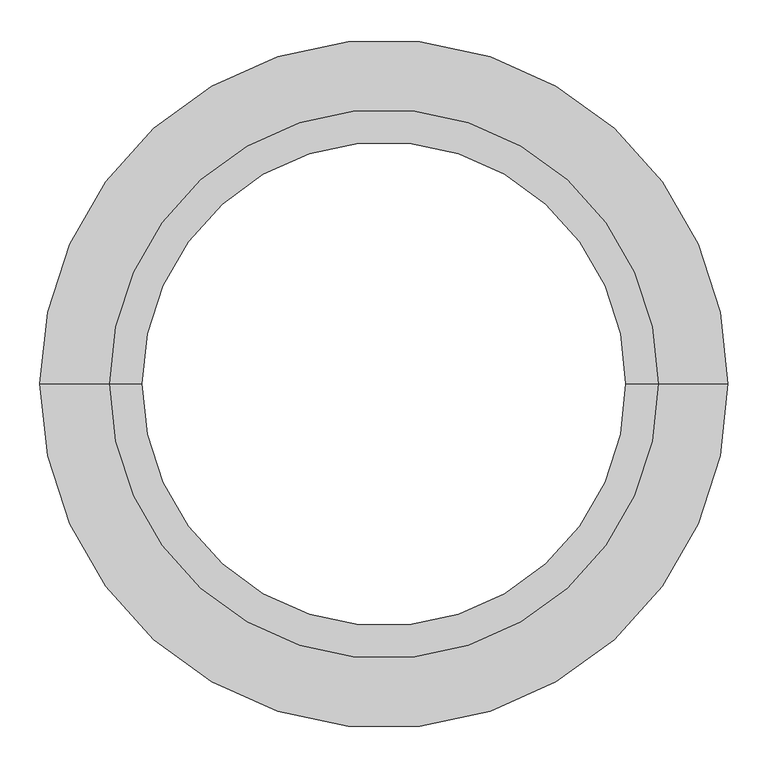
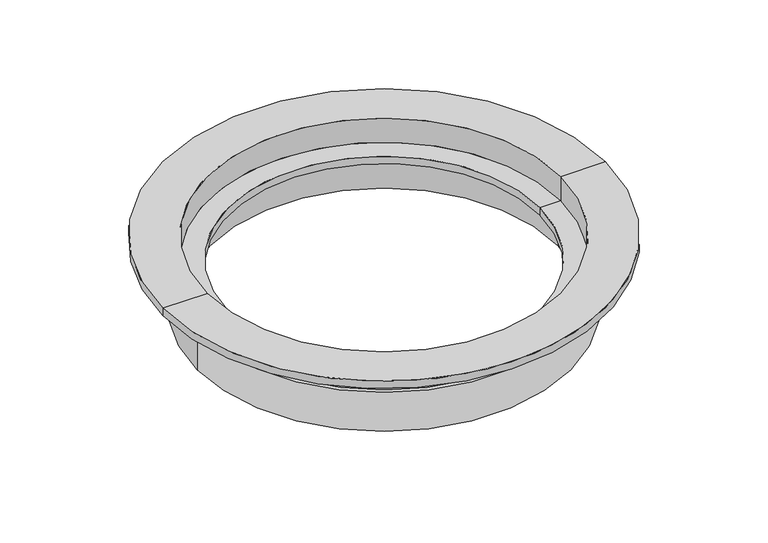
"""IFC4 building model written with IfcOpenShell, lengths in millimetres: sanitary terminal geometry."""

import ifcopenshell
import ifcopenshell.guid

model = None  # the IFC model being written
_history = None  # IfcOwnerHistory: only IFC2X3 demands one
_inside = {}  # id of a spatial element -> (the spatial element, [elements in it])
_under = {}  # id of a project, library or spatial element -> (it, [spatial elements below it])
_declared = {}  # id of a project -> (the project, [libraries it declares])
_typed = {}  # id of a type object -> (the type object, [elements of that type])
_made_of = {}  # id of a material, layer set ... -> (it, [elements and type objects made of it])


def new_model(schema):
    """Start an empty IFC model of exactly this schema.

    Asked for "IFC4X3", IfcOpenShell would pick the latest addendum, in which some entities
    have other attributes; the version numbers below select the first issue.
    IFC2X3 requires an IfcOwnerHistory on every rooted entity: one is made here for all.
    """
    global model, _history
    if schema == "IFC4X3":
        model = ifcopenshell.file(schema_version=(4, 3, 0, 0))
    else:
        model = ifcopenshell.file(schema=schema)
    _inside.clear()
    _under.clear()
    _declared.clear()
    _typed.clear()
    _made_of.clear()
    _history = None
    if model.schema == "IFC2X3":
        org = make("IfcOrganization", Name="unknown")
        user = make(
            "IfcPersonAndOrganization",
            ThePerson=make("IfcPerson", FamilyName="unknown"),
            TheOrganization=org,
        )
        app = make(
            "IfcApplication",
            ApplicationDeveloper=org,
            Version="unknown",
            ApplicationFullName="unknown",
            ApplicationIdentifier="unknown",
        )
        _history = make(
            "IfcOwnerHistory",
            OwningUser=user,
            OwningApplication=app,
            ChangeAction="ADDED",
            CreationDate=0,
        )
    return model


def make(cls, **values):
    """One entity of the class cls with the attributes given. An attribute that is None is left unset."""
    return model.create_entity(
        cls, **{name: value for name, value in values.items() if value is not None}
    )


def rooted(cls, **values):
    """An entity with a GlobalId (a new one), such as an element, a storey or a relation."""
    return make(cls, GlobalId=ifcopenshell.guid.new(), OwnerHistory=_history, **values)


def si_unit(unit_type, name, prefix=None):
    """IfcSIUnit, for example si_unit("LENGTHUNIT", "METRE", prefix="MILLI")."""
    return make("IfcSIUnit", UnitType=unit_type, Prefix=prefix, Name=name)


def assignment(units):
    """IfcUnitAssignment: the units of a project."""
    return None if units is None else make("IfcUnitAssignment", Units=units)


def point(xyz):
    """IfcCartesianPoint."""
    return None if xyz is None else make("IfcCartesianPoint", Coordinates=xyz)


def direction(xyz):
    """IfcDirection."""
    return None if xyz is None else make("IfcDirection", DirectionRatios=xyz)


def frame(location, z_axis=None, x_axis=None):
    """IfcAxis2Placement3D, a coordinate frame: its origin and axes. An axis left out is left unset."""
    return make(
        "IfcAxis2Placement3D",
        Location=point(location),
        Axis=direction(z_axis),
        RefDirection=direction(x_axis),
    )


def origin():
    """The frame at (0, 0, 0) with its axes left unset."""
    return frame((0.0, 0.0, 0.0))


def origin_with_axes():
    """The frame at (0, 0, 0) with the z axis (0, 0, 1) and the x axis (1, 0, 0) written out."""
    return frame((0.0, 0.0, 0.0), z_axis=(0.0, 0.0, 1.0), x_axis=(1.0, 0.0, 0.0))


def place(relative_to, where):
    """IfcLocalPlacement: puts the frame where relative to a parent placement (None: the world)."""
    return make(
        "IfcLocalPlacement", PlacementRelTo=relative_to, RelativePlacement=where
    )


def context(
    kind, dimensions, precision=None, world=None, true_north=None, identifier=None
):
    """IfcGeometricRepresentationContext, for example the 3D "Model" context."""
    return make(
        "IfcGeometricRepresentationContext",
        ContextIdentifier=identifier,
        ContextType=kind,
        CoordinateSpaceDimension=dimensions,
        Precision=precision,
        WorldCoordinateSystem=world,
        TrueNorth=true_north,
    )


def project(units=None, contexts=None):
    """IfcProject with its units and contexts."""
    return rooted(
        "IfcProject",
        Name="project",
        RepresentationContexts=contexts,
        UnitsInContext=assignment(units),
    )


def spatial(cls, under=None, at=None, **own):
    """A site, building, storey or space (cls), placed at a placement, below another one or the project."""
    s = rooted(cls, ObjectPlacement=at, **own)
    if under is not None:
        _under.setdefault(under.id(), (under, []))[1].append(s)
    return s


def polyline(points):
    """IfcPolyline through the points."""
    return make("IfcPolyline", Points=[point(p) for p in points])


def circle_curve(where, radius):
    """IfcCircle in the frame where."""
    return make("IfcCircle", Position=where, Radius=radius)


def shape(context_of_items, identifier, shape_type, items):
    """IfcShapeRepresentation: the items that make up one representation, for example the "Body"."""
    return make(
        "IfcShapeRepresentation",
        ContextOfItems=context_of_items,
        RepresentationIdentifier=identifier,
        RepresentationType=shape_type,
        Items=items,
    )


def source(mapping_origin, context_of_items, identifier, shape_type, items):
    """IfcRepresentationMap: a shape defined once, which mapped items show again and again."""
    return make(
        "IfcRepresentationMap",
        MappingOrigin=mapping_origin,
        MappedRepresentation=shape(context_of_items, identifier, shape_type, items),
    )


def transform(
    local_origin,
    x_axis=None,
    y_axis=None,
    z_axis=None,
    scale=None,
    scale2=None,
    scale3=None,
    uniform=True,
):
    """IfcCartesianTransformationOperator3D, or its non-uniform kind. x_axis, y_axis, z_axis: its Axis1, 2, 3."""
    if uniform:
        return make(
            "IfcCartesianTransformationOperator3D",
            Axis1=direction(x_axis),
            Axis2=direction(y_axis),
            LocalOrigin=point(local_origin),
            Scale=scale,
            Axis3=direction(z_axis),
        )
    return make(
        "IfcCartesianTransformationOperator3DnonUniform",
        Axis1=direction(x_axis),
        Axis2=direction(y_axis),
        LocalOrigin=point(local_origin),
        Scale=scale,
        Axis3=direction(z_axis),
        Scale2=scale2,
        Scale3=scale3,
    )


def mapped(mapping_source, mapping_target):
    """IfcMappedItem: shows the shape of a source again, moved by a transform."""
    return make(
        "IfcMappedItem", MappingSource=mapping_source, MappingTarget=mapping_target
    )


def made_of(thing, what):
    """Note that an element or type object is made of a material, layer set ...; save() writes the relation."""
    if what is not None:
        _made_of.setdefault(what.id(), (what, []))[1].append(thing)
    return thing


def element(
    cls,
    number,
    at=None,
    inside=None,
    cuts=None,
    type_object=None,
    material=None,
    context=None,
    identifier="Body",
    shape_type=None,
    held_by="IfcProductDefinitionShape",
    body=None,
    shapes=None,
    **own,
):
    """One element of the class cls, such as IfcWall. Its Tag is "e" and its number.

    at: its placement. inside: the storey or other place that contains it. cuts: it is an
    opening in that element (IfcRelVoidsElement). A single representation is given by context,
    identifier, shape_type and body (its items); several are given by shapes. held_by: the class
    of the entity that holds the representations. save() writes the other relations.
    """
    e = rooted(cls, Tag="e%d" % number, ObjectPlacement=at, **own)
    if body is not None:
        shapes = [shape(context, identifier, shape_type, body)]
    if shapes is not None:
        e.Representation = make(held_by, Representations=shapes)
    if inside is not None:
        _inside.setdefault(inside.id(), (inside, []))[1].append(e)
    if cuts is not None:
        rooted(
            "IfcRelVoidsElement", RelatingBuildingElement=cuts, RelatedOpeningElement=e
        )
    if type_object is not None:
        _typed.setdefault(type_object.id(), (type_object, []))[1].append(e)
    return made_of(e, material)


def aggregate(whole, parts):
    """IfcRelAggregates: a whole, such as a stair, and the parts it consists of."""
    return rooted("IfcRelAggregates", RelatingObject=whole, RelatedObjects=parts)


def save(model, path):
    """Write the relations noted so far, then the file.

    IfcRelAggregates (storeys below a building ...), IfcRelContainedInSpatialStructure (elements
    in a storey), IfcRelDefinesByType, IfcRelAssociatesMaterial and IfcRelDeclares: one each for
    every whole, place, type object, material and project.
    """
    for whole, parts in _under.values():
        aggregate(whole, parts)
    for where, things in _inside.values():
        rooted(
            "IfcRelContainedInSpatialStructure",
            RelatedElements=things,
            RelatingStructure=where,
        )
    for kind, things in _typed.values():
        rooted("IfcRelDefinesByType", RelatedObjects=things, RelatingType=kind)
    for what, things in _made_of.values():
        rooted("IfcRelAssociatesMaterial", RelatedObjects=things, RelatingMaterial=what)
    for by, libraries in _declared.values():
        rooted("IfcRelDeclares", RelatingContext=by, RelatedDefinitions=libraries)
    model.write(path)


def plane_surface(at):
    """IfcPlane: the flat surface through the origin of the frame at, square to its z axis."""
    return make("IfcPlane", Position=at)


def cylinder_surface(at, radius):
    """IfcCylindricalSurface: all points at the distance radius from the z axis of the frame at."""
    return make("IfcCylindricalSurface", Position=at, Radius=radius)


def revolved_surface(curve, axis_point, axis_direction):
    """IfcSurfaceOfRevolution: the curve turned about the line through axis_point along axis_direction."""
    return make(
        "IfcSurfaceOfRevolution",
        SweptCurve=make("IfcArbitraryOpenProfileDef", ProfileType="CURVE", Curve=curve),
        AxisPosition=make("IfcAxis1Placement", Location=point(axis_point), Axis=direction(axis_direction)),
    )


def advanced_brep(points, edges, surfaces, faces):
    """IfcAdvancedBrep: a solid bounded by faces that lie on surfaces and meet in shared edges.

    An edge is (start, end): straight between two places in points (the first is 0);
    or (start, end, curve); or (start, end, curve, False) where it runs against its curve.
    A face is (place in surfaces, loops), or (place, loops, False) where it looks against
    its surface's normal. A loop lists edges by number (the first is 1), with a minus sign
    where the edge is run from its end to its start. The first loop is the outer one.
    """
    corners = [point(p) for p in points]
    vertices = [make("IfcVertexPoint", VertexGeometry=c) for c in corners]
    made = []
    for start, end, *more in edges:
        made.append(
            make(
                "IfcEdgeCurve",
                EdgeStart=vertices[start],
                EdgeEnd=vertices[end],
                EdgeGeometry=more[0] if more else make("IfcPolyline", Points=[corners[start], corners[end]]),
                SameSense=more[1] if len(more) > 1 else True,
            )
        )
    hull = []
    for where, loops, *sense in faces:
        bounds = []
        for j, loop in enumerate(loops):
            ring = [make("IfcOrientedEdge", EdgeElement=made[abs(k) - 1], Orientation=k > 0) for k in loop]
            bounds.append(
                make(
                    "IfcFaceOuterBound" if j == 0 else "IfcFaceBound",
                    Bound=make("IfcEdgeLoop", EdgeList=ring),
                    Orientation=True,
                )
            )
        hull.append(make("IfcAdvancedFace", Bounds=bounds, FaceSurface=surfaces[where], SameSense=sense[0] if sense else True))
    return make("IfcAdvancedBrep", Outer=make("IfcClosedShell", CfsFaces=hull))


def sanitary_terminal_6acca2a8(model_context):
    return source(origin(), model_context, "Body", "AdvancedBrep", [
        advanced_brep(
        [(363.0, 0.0, -70.0), (-363.0, 0.0, -70.0), (-355.0, 0.0, -70.0), (355.0, 0.0, -70.0), (363.0, 0.0, -150.0), (-363.0, 0.0, -150.0), (355.0, 0.0, -150.0), (-355.0, 0.0, -150.0)],
        [
            (0, 1, circle_curve(frame((0.0, 0.0, -70.0), z_axis=(0.0, 0.0, 1.0), x_axis=(-1.0, 0.0, 0.0)), 363.0)),
            (1, 2),
            (2, 3, circle_curve(frame((0.0, 0.0, -70.0), z_axis=(0.0, 0.0, -1.0), x_axis=(-1.0, 0.0, 0.0)), 355.0)),
            (3, 0),
            (1, 0, circle_curve(frame((0.0, 0.0, -70.0), z_axis=(0.0, 0.0, 1.0), x_axis=(-1.0, 0.0, 0.0)), 363.0)),
            (3, 2, circle_curve(frame((0.0, 0.0, -70.0), z_axis=(0.0, 0.0, -1.0), x_axis=(-1.0, 0.0, 0.0)), 355.0)),
            (4, 5, circle_curve(frame((0.0, 0.0, -150.0), z_axis=(0.0, 0.0, 1.0), x_axis=(-1.0, 0.0, 0.0)), 363.0)),
            (5, 1),
            (0, 4),
            (5, 4, circle_curve(frame((0.0, 0.0, -150.0), z_axis=(0.0, 0.0, 1.0), x_axis=(-1.0, 0.0, 0.0)), 363.0)),
            (6, 7, circle_curve(frame((0.0, 0.0, -150.0), z_axis=(0.0, 0.0, 1.0), x_axis=(-1.0, 0.0, 0.0)), 355.0)),
            (7, 5),
            (4, 6),
            (7, 6, circle_curve(frame((0.0, 0.0, -150.0), z_axis=(0.0, 0.0, 1.0), x_axis=(-1.0, 0.0, 0.0)), 355.0)),
            (2, 7),
            (6, 3),
        ],
        [
            plane_surface(frame((0.0, 0.0, -70.0), z_axis=(0.0, 0.0, 1.0), x_axis=(-1.0, 0.0, 0.0))),
            cylinder_surface(frame((0.0, 0.0, 150.5258156), z_axis=(0.0, 0.0, -1.0), x_axis=(-1.0, 0.0, 0.0)), 363.0),
            plane_surface(frame((0.0, 0.0, -150.0), z_axis=(0.0, 0.0, -1.0), x_axis=(-1.0, 0.0, 0.0))),
            revolved_surface(polyline([(-355.0, 0.0, -150.0), (-355.0, 0.0, -70.0)]), (0.0, 0.0, 150.5258156), (0.0, 0.0, -1.0)),
        ],
        [
            (0, [[1, 2, 3, 4]]),
            (0, [[5, -4, 6, -2]]),
            (1, [[7, 8, -1, 9]]),
            (1, [[10, -9, -5, -8]]),
            (2, [[11, 12, -7, 13]]),
            (2, [[14, -13, -10, -12]]),
            (3, [[-3, 15, -11, 16]]),
            (3, [[-6, -16, -14, -15]]),
        ],
    ),
        advanced_brep(
        [(-430.0, 0.0, 0.0), (430.0, 0.0, 0.0), (430.0, 0.0, -15.0), (-430.0, 0.0, -15.0), (-343.4280406, 0.0, 0.0), (343.4280406, 0.0, 0.0), (-343.4280406, 0.0, -50.0), (343.4280406, 0.0, -50.0), (-302.5, 0.0, -50.0), (302.5, 0.0, -50.0), (-302.5, 0.0, -65.0), (302.5, 0.0, -65.0), (-337.5, 0.0, -65.0), (337.5, 0.0, -65.0), (-337.5, 0.0, -140.0), (337.5, 0.0, -140.0), (-347.5, 0.0, -140.0), (347.5, 0.0, -140.0), (-347.5, 0.0, -65.0), (347.5, 0.0, -65.0), (-353.4280406, 0.0, -60.1624967), (353.4280406, 0.0, -60.1624967), (-353.4280406, 0.0, -15.0), (353.4280406, 0.0, -15.0)],
        [
            (0, 1, circle_curve(frame((0.0, 0.0, 0.0), z_axis=(0.0, 0.0, -1.0), x_axis=(1.0, 0.0, 0.0)), 430.0)),
            (1, 2),
            (2, 3, circle_curve(frame((0.0, 0.0, -15.0), z_axis=(0.0, 0.0, 1.0), x_axis=(1.0, 0.0, 0.0)), 430.0)),
            (3, 0),
            (1, 0, circle_curve(frame((0.0, 0.0, 0.0), z_axis=(0.0, 0.0, -1.0), x_axis=(1.0, 0.0, 0.0)), 430.0)),
            (3, 2, circle_curve(frame((0.0, 0.0, -15.0), z_axis=(0.0, 0.0, 1.0), x_axis=(1.0, 0.0, 0.0)), 430.0)),
            (4, 5, circle_curve(frame((0.0, 0.0, 0.0), z_axis=(0.0, 0.0, -1.0), x_axis=(1.0, 0.0, 0.0)), 343.4280406)),
            (5, 1),
            (0, 4),
            (5, 4, circle_curve(frame((0.0, 0.0, 0.0), z_axis=(0.0, 0.0, -1.0), x_axis=(1.0, 0.0, 0.0)), 343.4280406)),
            (6, 7, circle_curve(frame((0.0, 0.0, -50.0), z_axis=(0.0, 0.0, -1.0), x_axis=(1.0, 0.0, 0.0)), 343.4280406)),
            (7, 5),
            (4, 6),
            (7, 6, circle_curve(frame((0.0, 0.0, -50.0), z_axis=(0.0, 0.0, -1.0), x_axis=(1.0, 0.0, 0.0)), 343.4280406)),
            (8, 9, circle_curve(frame((0.0, 0.0, -50.0), z_axis=(0.0, 0.0, -1.0), x_axis=(1.0, 0.0, 0.0)), 302.5)),
            (9, 7),
            (6, 8),
            (9, 8, circle_curve(frame((0.0, 0.0, -50.0), z_axis=(0.0, 0.0, -1.0), x_axis=(1.0, 0.0, 0.0)), 302.5)),
            (10, 11, circle_curve(frame((0.0, 0.0, -65.0), z_axis=(0.0, 0.0, -1.0), x_axis=(1.0, 0.0, 0.0)), 302.5)),
            (11, 9),
            (8, 10),
            (11, 10, circle_curve(frame((0.0, 0.0, -65.0), z_axis=(0.0, 0.0, -1.0), x_axis=(1.0, 0.0, 0.0)), 302.5)),
            (12, 13, circle_curve(frame((0.0, 0.0, -65.0), z_axis=(0.0, 0.0, -1.0), x_axis=(1.0, 0.0, 0.0)), 337.5)),
            (13, 11),
            (10, 12),
            (13, 12, circle_curve(frame((0.0, 0.0, -65.0), z_axis=(0.0, 0.0, -1.0), x_axis=(1.0, 0.0, 0.0)), 337.5)),
            (14, 15, circle_curve(frame((0.0, 0.0, -140.0), z_axis=(0.0, 0.0, -1.0), x_axis=(1.0, 0.0, 0.0)), 337.5)),
            (15, 13),
            (12, 14),
            (15, 14, circle_curve(frame((0.0, 0.0, -140.0), z_axis=(0.0, 0.0, -1.0), x_axis=(1.0, 0.0, 0.0)), 337.5)),
            (16, 17, circle_curve(frame((0.0, 0.0, -140.0), z_axis=(0.0, 0.0, -1.0), x_axis=(1.0, 0.0, 0.0)), 347.5)),
            (17, 15),
            (14, 16),
            (17, 16, circle_curve(frame((0.0, 0.0, -140.0), z_axis=(0.0, 0.0, -1.0), x_axis=(1.0, 0.0, 0.0)), 347.5)),
            (18, 19, circle_curve(frame((0.0, 0.0, -65.0), z_axis=(0.0, 0.0, -1.0), x_axis=(1.0, 0.0, 0.0)), 347.5)),
            (19, 17),
            (16, 18),
            (19, 18, circle_curve(frame((0.0, 0.0, -65.0), z_axis=(0.0, 0.0, -1.0), x_axis=(1.0, 0.0, 0.0)), 347.5)),
            (20, 21, circle_curve(frame((0.0, 0.0, -60.1624967), z_axis=(0.0, 0.0, -1.0), x_axis=(1.0, 0.0, 0.0)), 353.4280406)),
            (21, 19),
            (18, 20),
            (21, 20, circle_curve(frame((0.0, 0.0, -60.1624967), z_axis=(0.0, 0.0, -1.0), x_axis=(1.0, 0.0, 0.0)), 353.4280406)),
            (22, 23, circle_curve(frame((0.0, 0.0, -15.0), z_axis=(0.0, 0.0, -1.0), x_axis=(1.0, 0.0, 0.0)), 353.4280406)),
            (23, 21),
            (20, 22),
            (23, 22, circle_curve(frame((0.0, 0.0, -15.0), z_axis=(0.0, 0.0, -1.0), x_axis=(1.0, 0.0, 0.0)), 353.4280406)),
            (2, 23),
            (22, 3),
        ],
        [
            cylinder_surface(frame((0.0, 0.0, 220.5258156), z_axis=(0.0, 0.0, 1.0), x_axis=(1.0, 0.0, 0.0)), 430.0),
            plane_surface(origin_with_axes()),
            revolved_surface(polyline([(343.4280406, 0.0, 0.0), (343.4280406, 0.0, -50.0)]), (0.0, 0.0, 220.5258156), (0.0, 0.0, 1.0)),
            plane_surface(frame((0.0, 0.0, -50.0), z_axis=(0.0, 0.0, 1.0), x_axis=(1.0, 0.0, 0.0))),
            revolved_surface(polyline([(302.5, 0.0, -50.0), (302.5, 0.0, -65.0)]), (0.0, 0.0, 220.5258156), (0.0, 0.0, 1.0)),
            plane_surface(frame((0.0, 0.0, -65.0), z_axis=(0.0, 0.0, -1.0), x_axis=(1.0, 0.0, 0.0))),
            revolved_surface(polyline([(337.5, 0.0, -65.0), (337.5, 0.0, -140.0)]), (0.0, 0.0, 220.5258156), (0.0, 0.0, 1.0)),
            plane_surface(frame((0.0, 0.0, -140.0), z_axis=(0.0, 0.0, -1.0), x_axis=(1.0, 0.0, 0.0))),
            cylinder_surface(frame((0.0, 0.0, 220.5258156), z_axis=(0.0, 0.0, 1.0), x_axis=(1.0, 0.0, 0.0)), 347.5),
            revolved_surface(polyline([(347.5, 0.0, -65.0), (353.4280406, 0.0, -60.1624967)]), (0.0, 0.0, 220.5258156), (0.0, 0.0, 1.0)),
            cylinder_surface(frame((0.0, 0.0, 220.5258156), z_axis=(0.0, 0.0, 1.0), x_axis=(1.0, 0.0, 0.0)), 353.4280406),
            plane_surface(frame((0.0, 0.0, -15.0), z_axis=(0.0, 0.0, -1.0), x_axis=(1.0, 0.0, 0.0))),
        ],
        [
            (0, [[1, 2, 3, 4]]),
            (0, [[5, -4, 6, -2]]),
            (1, [[7, 8, -1, 9]]),
            (1, [[10, -9, -5, -8]]),
            (2, [[11, 12, -7, 13]]),
            (2, [[14, -13, -10, -12]]),
            (3, [[15, 16, -11, 17]]),
            (3, [[18, -17, -14, -16]]),
            (4, [[19, 20, -15, 21]]),
            (4, [[22, -21, -18, -20]]),
            (5, [[23, 24, -19, 25]]),
            (5, [[26, -25, -22, -24]]),
            (6, [[27, 28, -23, 29]]),
            (6, [[30, -29, -26, -28]]),
            (7, [[31, 32, -27, 33]]),
            (7, [[34, -33, -30, -32]]),
            (8, [[35, 36, -31, 37]]),
            (8, [[38, -37, -34, -36]]),
            (9, [[39, 40, -35, 41]]),
            (9, [[42, -41, -38, -40]]),
            (10, [[43, 44, -39, 45]]),
            (10, [[46, -45, -42, -44]]),
            (11, [[-3, 47, -43, 48]]),
            (11, [[-6, -48, -46, -47]]),
        ],
    ),
    ])


if __name__ == "__main__":
    model = new_model("IFC4")
    model_context = context("Model", 3, world=origin())
    ifc_project = project(units=[si_unit("LENGTHUNIT", "METRE", prefix="MILLI")], contexts=[model_context])
    site = spatial("IfcSite", under=ifc_project)
    building = spatial("IfcBuilding", under=site)
    placement = place(None, origin())
    sanitary_terminal_shape = sanitary_terminal_6acca2a8(model_context)
    element("IfcSanitaryTerminal", 1, at=placement, inside=building, context=model_context, shape_type="MappedRepresentation", body=[
        mapped(sanitary_terminal_shape, transform((0.0, 0.0, 0.0), x_axis=(1.0, 0.0, 0.0), y_axis=(0.0, 1.0, 0.0), z_axis=(0.0, 0.0, 1.0))),
    ])
    save(model, "model.ifc")
